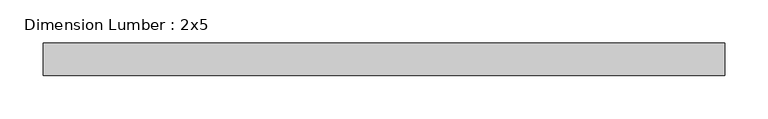
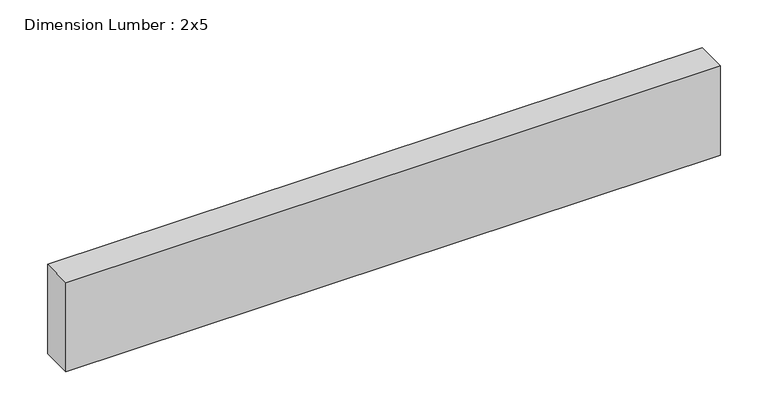
"""IFC4 building model written with IfcOpenShell, lengths in millimetres: beam geometry, Dimension Lumber : 2x5."""

from ifc_helpers import new_model, si_unit, frame, origin, place, context, project, spatial, polyline, outline, extrude, source, transform, mapped, element, save


def dimension_lumber_2x5_225830b6(model_context):
    return source(origin(), model_context, "Body", "SweptSolid", [
        extrude(outline(polyline([(395.3179937, 19.05), (395.3179937, -19.05), (-395.3179937, -19.05), (-395.3179937, 19.05), (395.3179937, 19.05)])), frame((0.0, 0.0, -57.15), z_axis=(0.0, 0.0, 1.0), x_axis=(1.0, 0.0, 0.0)), (0.0, 0.0, 1.0), 114.3),
    ])


if __name__ == "__main__":
    model = new_model("IFC4")
    model_context = context("Model", 3, world=origin())
    ifc_project = project(units=[si_unit("LENGTHUNIT", "METRE", prefix="MILLI")], contexts=[model_context])
    site = spatial("IfcSite", under=ifc_project)
    building = spatial("IfcBuilding", under=site)
    placement = place(None, origin())
    dimension_lumber_2x5_shape = dimension_lumber_2x5_225830b6(model_context)
    element("IfcBeam", 1, ObjectType="Dimension Lumber : 2x5", at=placement, inside=building, context=model_context, shape_type="MappedRepresentation", body=[
        mapped(dimension_lumber_2x5_shape, transform((0.0, 0.0, 0.0), x_axis=(1.0, 0.0, 0.0), y_axis=(0.0, 1.0, 0.0), z_axis=(0.0, 0.0, 1.0))),
    ])
    save(model, "model.ifc")
